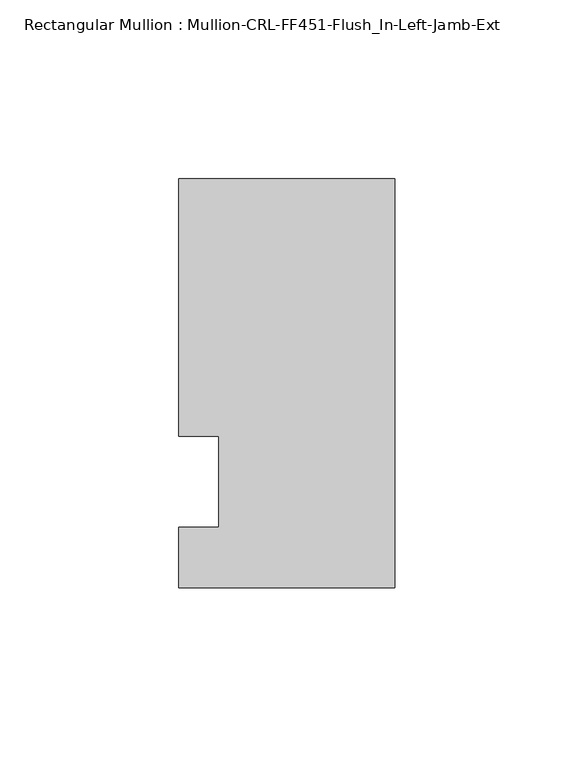
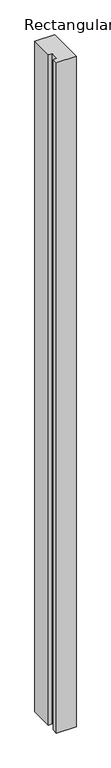
"""IFC4 building model written with IfcOpenShell, lengths in millimetres: member geometry, Rectangular Mullion : Mullion-CRL-FF451-Flush_In-Left-Jamb-Ext."""

from ifc_helpers import new_model, si_unit, frame, origin, place, context, project, spatial, polyline, outline, extrude, source, transform, mapped, element, save


def rectangular_mullion_mullion_crl_ff451_flush_in_left_jamb_ext_cdeb03ef(model_context):
    return source(origin(), model_context, "Body", "SweptSolid", [
        extrude(outline(polyline([(-60.362207, -29.6454132), (-60.362207, -12.7), (-49.222241, -12.7), (-49.222241, 12.7), (-60.362207, 12.7), (-60.362207, 84.6545868), (0.0, 84.6545868), (0.0, -29.6454132), (-60.362207, -29.6454132)])), frame((0.0, 0.0, -2174.875), z_axis=(0.0, 0.0, 1.0), x_axis=(1.0, 0.0, 0.0)), (0.0, 0.0, 1.0), 2174.875),
    ])


if __name__ == "__main__":
    model = new_model("IFC4")
    model_context = context("Model", 3, world=origin())
    ifc_project = project(units=[si_unit("LENGTHUNIT", "METRE", prefix="MILLI")], contexts=[model_context])
    site = spatial("IfcSite", under=ifc_project)
    building = spatial("IfcBuilding", under=site)
    placement = place(None, origin())
    rectangular_mullion_mullion_crl_ff451_flush_in_left_jamb_ext_shape = rectangular_mullion_mullion_crl_ff451_flush_in_left_jamb_ext_cdeb03ef(model_context)
    element("IfcMember", 1, ObjectType="Rectangular Mullion : Mullion-CRL-FF451-Flush_In-Left-Jamb-Ext", at=placement, inside=building, context=model_context, shape_type="MappedRepresentation", body=[
        mapped(rectangular_mullion_mullion_crl_ff451_flush_in_left_jamb_ext_shape, transform((0.0, 0.0, 0.0), x_axis=(1.0, 0.0, 0.0), y_axis=(0.0, 1.0, 0.0), z_axis=(0.0, 0.0, 1.0))),
    ])
    save(model, "model.ifc")
